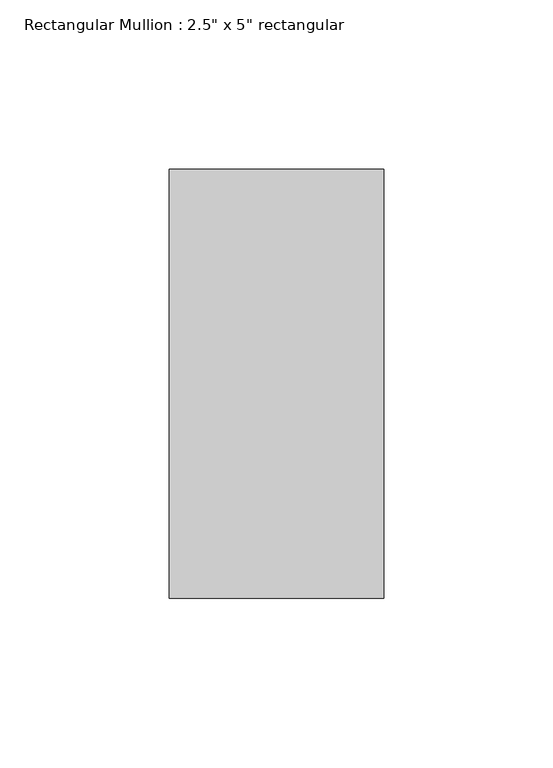
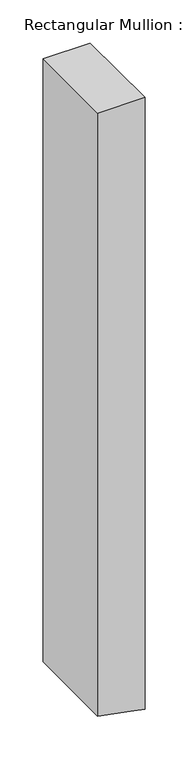
"""IFC4 building model written with IfcOpenShell, lengths in millimetres: member geometry."""

import ifcopenshell
import ifcopenshell.guid

model = None  # the IFC model being written
_history = None  # IfcOwnerHistory: only IFC2X3 demands one
_inside = {}  # id of a spatial element -> (the spatial element, [elements in it])
_under = {}  # id of a project, library or spatial element -> (it, [spatial elements below it])
_declared = {}  # id of a project -> (the project, [libraries it declares])
_typed = {}  # id of a type object -> (the type object, [elements of that type])
_made_of = {}  # id of a material, layer set ... -> (it, [elements and type objects made of it])


def new_model(schema):
    """Start an empty IFC model of exactly this schema.

    Asked for "IFC4X3", IfcOpenShell would pick the latest addendum, in which some entities
    have other attributes; the version numbers below select the first issue.
    IFC2X3 requires an IfcOwnerHistory on every rooted entity: one is made here for all.
    """
    global model, _history
    if schema == "IFC4X3":
        model = ifcopenshell.file(schema_version=(4, 3, 0, 0))
    else:
        model = ifcopenshell.file(schema=schema)
    _inside.clear()
    _under.clear()
    _declared.clear()
    _typed.clear()
    _made_of.clear()
    _history = None
    if model.schema == "IFC2X3":
        org = make("IfcOrganization", Name="unknown")
        user = make(
            "IfcPersonAndOrganization",
            ThePerson=make("IfcPerson", FamilyName="unknown"),
            TheOrganization=org,
        )
        app = make(
            "IfcApplication",
            ApplicationDeveloper=org,
            Version="unknown",
            ApplicationFullName="unknown",
            ApplicationIdentifier="unknown",
        )
        _history = make(
            "IfcOwnerHistory",
            OwningUser=user,
            OwningApplication=app,
            ChangeAction="ADDED",
            CreationDate=0,
        )
    return model


def make(cls, **values):
    """One entity of the class cls with the attributes given. An attribute that is None is left unset."""
    return model.create_entity(
        cls, **{name: value for name, value in values.items() if value is not None}
    )


def rooted(cls, **values):
    """An entity with a GlobalId (a new one), such as an element, a storey or a relation."""
    return make(cls, GlobalId=ifcopenshell.guid.new(), OwnerHistory=_history, **values)


def si_unit(unit_type, name, prefix=None):
    """IfcSIUnit, for example si_unit("LENGTHUNIT", "METRE", prefix="MILLI")."""
    return make("IfcSIUnit", UnitType=unit_type, Prefix=prefix, Name=name)


def assignment(units):
    """IfcUnitAssignment: the units of a project."""
    return None if units is None else make("IfcUnitAssignment", Units=units)


def point(xyz):
    """IfcCartesianPoint."""
    return None if xyz is None else make("IfcCartesianPoint", Coordinates=xyz)


def direction(xyz):
    """IfcDirection."""
    return None if xyz is None else make("IfcDirection", DirectionRatios=xyz)


def frame(location, z_axis=None, x_axis=None):
    """IfcAxis2Placement3D, a coordinate frame: its origin and axes. An axis left out is left unset."""
    return make(
        "IfcAxis2Placement3D",
        Location=point(location),
        Axis=direction(z_axis),
        RefDirection=direction(x_axis),
    )


def origin():
    """The frame at (0, 0, 0) with its axes left unset."""
    return frame((0.0, 0.0, 0.0))


def place(relative_to, where):
    """IfcLocalPlacement: puts the frame where relative to a parent placement (None: the world)."""
    return make(
        "IfcLocalPlacement", PlacementRelTo=relative_to, RelativePlacement=where
    )


def context(
    kind, dimensions, precision=None, world=None, true_north=None, identifier=None
):
    """IfcGeometricRepresentationContext, for example the 3D "Model" context."""
    return make(
        "IfcGeometricRepresentationContext",
        ContextIdentifier=identifier,
        ContextType=kind,
        CoordinateSpaceDimension=dimensions,
        Precision=precision,
        WorldCoordinateSystem=world,
        TrueNorth=true_north,
    )


def project(units=None, contexts=None):
    """IfcProject with its units and contexts."""
    return rooted(
        "IfcProject",
        Name="project",
        RepresentationContexts=contexts,
        UnitsInContext=assignment(units),
    )


def spatial(cls, under=None, at=None, **own):
    """A site, building, storey or space (cls), placed at a placement, below another one or the project."""
    s = rooted(cls, ObjectPlacement=at, **own)
    if under is not None:
        _under.setdefault(under.id(), (under, []))[1].append(s)
    return s


def polyline(points):
    """IfcPolyline through the points."""
    return make("IfcPolyline", Points=[point(p) for p in points])


def outline(outer, holes=None, kind="AREA"):
    """IfcArbitraryClosedProfileDef: a profile drawn as a closed curve; with holes, ...WithVoids."""
    if holes is None:
        return make("IfcArbitraryClosedProfileDef", ProfileType=kind, OuterCurve=outer)
    return make(
        "IfcArbitraryProfileDefWithVoids",
        ProfileType=kind,
        OuterCurve=outer,
        InnerCurves=holes,
    )


def extrude(swept, where, along, depth):
    """IfcExtrudedAreaSolid: the profile swept, set in the frame where, extruded along a direction by depth."""
    return make(
        "IfcExtrudedAreaSolid",
        SweptArea=swept,
        Position=where,
        ExtrudedDirection=direction(along),
        Depth=depth,
    )


def shape(context_of_items, identifier, shape_type, items):
    """IfcShapeRepresentation: the items that make up one representation, for example the "Body"."""
    return make(
        "IfcShapeRepresentation",
        ContextOfItems=context_of_items,
        RepresentationIdentifier=identifier,
        RepresentationType=shape_type,
        Items=items,
    )


def source(mapping_origin, context_of_items, identifier, shape_type, items):
    """IfcRepresentationMap: a shape defined once, which mapped items show again and again."""
    return make(
        "IfcRepresentationMap",
        MappingOrigin=mapping_origin,
        MappedRepresentation=shape(context_of_items, identifier, shape_type, items),
    )


def transform(
    local_origin,
    x_axis=None,
    y_axis=None,
    z_axis=None,
    scale=None,
    scale2=None,
    scale3=None,
    uniform=True,
):
    """IfcCartesianTransformationOperator3D, or its non-uniform kind. x_axis, y_axis, z_axis: its Axis1, 2, 3."""
    if uniform:
        return make(
            "IfcCartesianTransformationOperator3D",
            Axis1=direction(x_axis),
            Axis2=direction(y_axis),
            LocalOrigin=point(local_origin),
            Scale=scale,
            Axis3=direction(z_axis),
        )
    return make(
        "IfcCartesianTransformationOperator3DnonUniform",
        Axis1=direction(x_axis),
        Axis2=direction(y_axis),
        LocalOrigin=point(local_origin),
        Scale=scale,
        Axis3=direction(z_axis),
        Scale2=scale2,
        Scale3=scale3,
    )


def mapped(mapping_source, mapping_target):
    """IfcMappedItem: shows the shape of a source again, moved by a transform."""
    return make(
        "IfcMappedItem", MappingSource=mapping_source, MappingTarget=mapping_target
    )


def made_of(thing, what):
    """Note that an element or type object is made of a material, layer set ...; save() writes the relation."""
    if what is not None:
        _made_of.setdefault(what.id(), (what, []))[1].append(thing)
    return thing


def element(
    cls,
    number,
    at=None,
    inside=None,
    cuts=None,
    type_object=None,
    material=None,
    context=None,
    identifier="Body",
    shape_type=None,
    held_by="IfcProductDefinitionShape",
    body=None,
    shapes=None,
    **own,
):
    """One element of the class cls, such as IfcWall. Its Tag is "e" and its number.

    at: its placement. inside: the storey or other place that contains it. cuts: it is an
    opening in that element (IfcRelVoidsElement). A single representation is given by context,
    identifier, shape_type and body (its items); several are given by shapes. held_by: the class
    of the entity that holds the representations. save() writes the other relations.
    """
    e = rooted(cls, Tag="e%d" % number, ObjectPlacement=at, **own)
    if body is not None:
        shapes = [shape(context, identifier, shape_type, body)]
    if shapes is not None:
        e.Representation = make(held_by, Representations=shapes)
    if inside is not None:
        _inside.setdefault(inside.id(), (inside, []))[1].append(e)
    if cuts is not None:
        rooted(
            "IfcRelVoidsElement", RelatingBuildingElement=cuts, RelatedOpeningElement=e
        )
    if type_object is not None:
        _typed.setdefault(type_object.id(), (type_object, []))[1].append(e)
    return made_of(e, material)


def aggregate(whole, parts):
    """IfcRelAggregates: a whole, such as a stair, and the parts it consists of."""
    return rooted("IfcRelAggregates", RelatingObject=whole, RelatedObjects=parts)


def save(model, path):
    """Write the relations noted so far, then the file.

    IfcRelAggregates (storeys below a building ...), IfcRelContainedInSpatialStructure (elements
    in a storey), IfcRelDefinesByType, IfcRelAssociatesMaterial and IfcRelDeclares: one each for
    every whole, place, type object, material and project.
    """
    for whole, parts in _under.values():
        aggregate(whole, parts)
    for where, things in _inside.values():
        rooted(
            "IfcRelContainedInSpatialStructure",
            RelatedElements=things,
            RelatingStructure=where,
        )
    for kind, things in _typed.values():
        rooted("IfcRelDefinesByType", RelatedObjects=things, RelatingType=kind)
    for what, things in _made_of.values():
        rooted("IfcRelAssociatesMaterial", RelatedObjects=things, RelatingMaterial=what)
    for by, libraries in _declared.values():
        rooted("IfcRelDeclares", RelatingContext=by, RelatedDefinitions=libraries)
    model.write(path)


def member_b4b0027e(model_context):
    return source(origin(), model_context, "Body", "SweptSolid", [
        extrude(outline(polyline([(0.0, 31.75), (0.0, -31.75), (-855.364946, -31.75), (-864.0510423, 12.2880417), (-867.8897335, 31.75), (0.0, 31.75)])), frame((0.0, -63.5, 0.0), z_axis=(0.0, 1.0, 0.0), x_axis=(0.0, 0.0, 1.0)), (0.0, 0.0, 1.0), 127.0),
    ])


if __name__ == "__main__":
    model = new_model("IFC4")
    model_context = context("Model", 3, world=origin())
    ifc_project = project(units=[si_unit("LENGTHUNIT", "METRE", prefix="MILLI")], contexts=[model_context])
    site = spatial("IfcSite", under=ifc_project)
    building = spatial("IfcBuilding", under=site)
    placement = place(None, origin())
    member_shape = member_b4b0027e(model_context)
    element("IfcMember", 1, ObjectType="Rectangular Mullion : 2.5\" x 5\" rectangular", at=placement, inside=building, context=model_context, shape_type="MappedRepresentation", body=[
        mapped(member_shape, transform((0.0, 0.0, 0.0), x_axis=(1.0, 0.0, 0.0), y_axis=(0.0, 1.0, 0.0), z_axis=(0.0, 0.0, 1.0))),
    ])
    save(model, "model.ifc")
